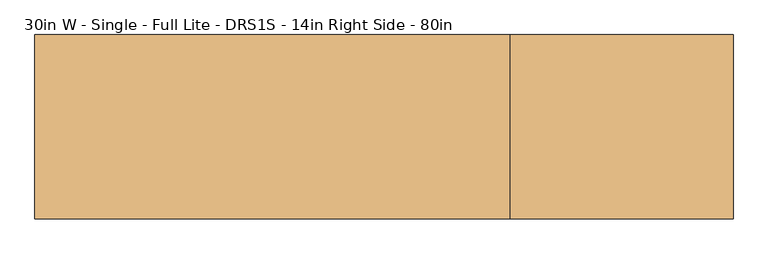
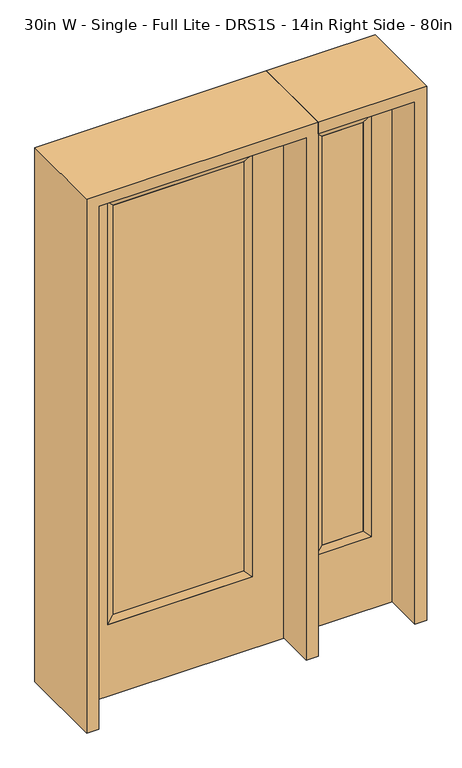
"""IFC4 building model written with IfcOpenShell, lengths in millimetres: door geometry, 30in W - Single - Full Lite - DRS1S - 14in Right Side - 80in."""

import ifcopenshell
import ifcopenshell.guid

model = None  # the IFC model being written
_history = None  # IfcOwnerHistory: only IFC2X3 demands one
_inside = {}  # id of a spatial element -> (the spatial element, [elements in it])
_under = {}  # id of a project, library or spatial element -> (it, [spatial elements below it])
_declared = {}  # id of a project -> (the project, [libraries it declares])
_typed = {}  # id of a type object -> (the type object, [elements of that type])
_made_of = {}  # id of a material, layer set ... -> (it, [elements and type objects made of it])


def new_model(schema):
    """Start an empty IFC model of exactly this schema.

    Asked for "IFC4X3", IfcOpenShell would pick the latest addendum, in which some entities
    have other attributes; the version numbers below select the first issue.
    IFC2X3 requires an IfcOwnerHistory on every rooted entity: one is made here for all.
    """
    global model, _history
    if schema == "IFC4X3":
        model = ifcopenshell.file(schema_version=(4, 3, 0, 0))
    else:
        model = ifcopenshell.file(schema=schema)
    _inside.clear()
    _under.clear()
    _declared.clear()
    _typed.clear()
    _made_of.clear()
    _history = None
    if model.schema == "IFC2X3":
        org = make("IfcOrganization", Name="unknown")
        user = make(
            "IfcPersonAndOrganization",
            ThePerson=make("IfcPerson", FamilyName="unknown"),
            TheOrganization=org,
        )
        app = make(
            "IfcApplication",
            ApplicationDeveloper=org,
            Version="unknown",
            ApplicationFullName="unknown",
            ApplicationIdentifier="unknown",
        )
        _history = make(
            "IfcOwnerHistory",
            OwningUser=user,
            OwningApplication=app,
            ChangeAction="ADDED",
            CreationDate=0,
        )
    return model


def make(cls, **values):
    """One entity of the class cls with the attributes given. An attribute that is None is left unset."""
    return model.create_entity(
        cls, **{name: value for name, value in values.items() if value is not None}
    )


def rooted(cls, **values):
    """An entity with a GlobalId (a new one), such as an element, a storey or a relation."""
    return make(cls, GlobalId=ifcopenshell.guid.new(), OwnerHistory=_history, **values)


def si_unit(unit_type, name, prefix=None):
    """IfcSIUnit, for example si_unit("LENGTHUNIT", "METRE", prefix="MILLI")."""
    return make("IfcSIUnit", UnitType=unit_type, Prefix=prefix, Name=name)


def assignment(units):
    """IfcUnitAssignment: the units of a project."""
    return None if units is None else make("IfcUnitAssignment", Units=units)


def point(xyz):
    """IfcCartesianPoint."""
    return None if xyz is None else make("IfcCartesianPoint", Coordinates=xyz)


def direction(xyz):
    """IfcDirection."""
    return None if xyz is None else make("IfcDirection", DirectionRatios=xyz)


def frame(location, z_axis=None, x_axis=None):
    """IfcAxis2Placement3D, a coordinate frame: its origin and axes. An axis left out is left unset."""
    return make(
        "IfcAxis2Placement3D",
        Location=point(location),
        Axis=direction(z_axis),
        RefDirection=direction(x_axis),
    )


def origin():
    """The frame at (0, 0, 0) with its axes left unset."""
    return frame((0.0, 0.0, 0.0))


def place(relative_to, where):
    """IfcLocalPlacement: puts the frame where relative to a parent placement (None: the world)."""
    return make(
        "IfcLocalPlacement", PlacementRelTo=relative_to, RelativePlacement=where
    )


def context(
    kind, dimensions, precision=None, world=None, true_north=None, identifier=None
):
    """IfcGeometricRepresentationContext, for example the 3D "Model" context."""
    return make(
        "IfcGeometricRepresentationContext",
        ContextIdentifier=identifier,
        ContextType=kind,
        CoordinateSpaceDimension=dimensions,
        Precision=precision,
        WorldCoordinateSystem=world,
        TrueNorth=true_north,
    )


def project(units=None, contexts=None):
    """IfcProject with its units and contexts."""
    return rooted(
        "IfcProject",
        Name="project",
        RepresentationContexts=contexts,
        UnitsInContext=assignment(units),
    )


def spatial(cls, under=None, at=None, **own):
    """A site, building, storey or space (cls), placed at a placement, below another one or the project."""
    s = rooted(cls, ObjectPlacement=at, **own)
    if under is not None:
        _under.setdefault(under.id(), (under, []))[1].append(s)
    return s


def polyline(points):
    """IfcPolyline through the points."""
    return make("IfcPolyline", Points=[point(p) for p in points])


def outline(outer, holes=None, kind="AREA"):
    """IfcArbitraryClosedProfileDef: a profile drawn as a closed curve; with holes, ...WithVoids."""
    if holes is None:
        return make("IfcArbitraryClosedProfileDef", ProfileType=kind, OuterCurve=outer)
    return make(
        "IfcArbitraryProfileDefWithVoids",
        ProfileType=kind,
        OuterCurve=outer,
        InnerCurves=holes,
    )


def extrude(swept, where, along, depth):
    """IfcExtrudedAreaSolid: the profile swept, set in the frame where, extruded along a direction by depth."""
    return make(
        "IfcExtrudedAreaSolid",
        SweptArea=swept,
        Position=where,
        ExtrudedDirection=direction(along),
        Depth=depth,
    )


def faces_of(points, faces, orient=None, outer=None):
    """IfcFace entities. A face is a list of loops; a loop is a list of indices into points, from 0.

    orient and outer hold one flag for each loop. By default every Orientation is true, the
    first loop of a face is its IfcFaceOuterBound and the others are IfcFaceBound.
    """
    made = []
    for i, loops in enumerate(faces):
        bounds = []
        for j, loop in enumerate(loops):
            is_outer = j == 0 if outer is None else outer[i][j]
            bounds.append(
                make(
                    "IfcFaceOuterBound" if is_outer else "IfcFaceBound",
                    Bound=make("IfcPolyLoop", Polygon=[points[k] for k in loop]),
                    Orientation=True if orient is None else orient[i][j],
                )
            )
        made.append(make("IfcFace", Bounds=bounds))
    return made


def faceted_brep(points, faces, orient=None, outer=None, voids=None):
    """IfcFacetedBrep: a solid bounded by flat faces; with voids (closed shells), ...WithVoids."""
    shared = [point(p) for p in points]
    hull = make("IfcClosedShell", CfsFaces=faces_of(shared, faces, orient, outer))
    if voids is None:
        return make("IfcFacetedBrep", Outer=hull)
    return make(
        "IfcFacetedBrepWithVoids",
        Outer=hull,
        Voids=[
            make(cls, CfsFaces=faces_of(shared, fs, o, b)) for cls, fs, o, b in voids
        ],
    )


def shape(context_of_items, identifier, shape_type, items):
    """IfcShapeRepresentation: the items that make up one representation, for example the "Body"."""
    return make(
        "IfcShapeRepresentation",
        ContextOfItems=context_of_items,
        RepresentationIdentifier=identifier,
        RepresentationType=shape_type,
        Items=items,
    )


def source(mapping_origin, context_of_items, identifier, shape_type, items):
    """IfcRepresentationMap: a shape defined once, which mapped items show again and again."""
    return make(
        "IfcRepresentationMap",
        MappingOrigin=mapping_origin,
        MappedRepresentation=shape(context_of_items, identifier, shape_type, items),
    )


def transform(
    local_origin,
    x_axis=None,
    y_axis=None,
    z_axis=None,
    scale=None,
    scale2=None,
    scale3=None,
    uniform=True,
):
    """IfcCartesianTransformationOperator3D, or its non-uniform kind. x_axis, y_axis, z_axis: its Axis1, 2, 3."""
    if uniform:
        return make(
            "IfcCartesianTransformationOperator3D",
            Axis1=direction(x_axis),
            Axis2=direction(y_axis),
            LocalOrigin=point(local_origin),
            Scale=scale,
            Axis3=direction(z_axis),
        )
    return make(
        "IfcCartesianTransformationOperator3DnonUniform",
        Axis1=direction(x_axis),
        Axis2=direction(y_axis),
        LocalOrigin=point(local_origin),
        Scale=scale,
        Axis3=direction(z_axis),
        Scale2=scale2,
        Scale3=scale3,
    )


def mapped(mapping_source, mapping_target):
    """IfcMappedItem: shows the shape of a source again, moved by a transform."""
    return make(
        "IfcMappedItem", MappingSource=mapping_source, MappingTarget=mapping_target
    )


def made_of(thing, what):
    """Note that an element or type object is made of a material, layer set ...; save() writes the relation."""
    if what is not None:
        _made_of.setdefault(what.id(), (what, []))[1].append(thing)
    return thing


def element(
    cls,
    number,
    at=None,
    inside=None,
    cuts=None,
    type_object=None,
    material=None,
    context=None,
    identifier="Body",
    shape_type=None,
    held_by="IfcProductDefinitionShape",
    body=None,
    shapes=None,
    **own,
):
    """One element of the class cls, such as IfcWall. Its Tag is "e" and its number.

    at: its placement. inside: the storey or other place that contains it. cuts: it is an
    opening in that element (IfcRelVoidsElement). A single representation is given by context,
    identifier, shape_type and body (its items); several are given by shapes. held_by: the class
    of the entity that holds the representations. save() writes the other relations.
    """
    e = rooted(cls, Tag="e%d" % number, ObjectPlacement=at, **own)
    if body is not None:
        shapes = [shape(context, identifier, shape_type, body)]
    if shapes is not None:
        e.Representation = make(held_by, Representations=shapes)
    if inside is not None:
        _inside.setdefault(inside.id(), (inside, []))[1].append(e)
    if cuts is not None:
        rooted(
            "IfcRelVoidsElement", RelatingBuildingElement=cuts, RelatedOpeningElement=e
        )
    if type_object is not None:
        _typed.setdefault(type_object.id(), (type_object, []))[1].append(e)
    return made_of(e, material)


def aggregate(whole, parts):
    """IfcRelAggregates: a whole, such as a stair, and the parts it consists of."""
    return rooted("IfcRelAggregates", RelatingObject=whole, RelatedObjects=parts)


def save(model, path):
    """Write the relations noted so far, then the file.

    IfcRelAggregates (storeys below a building ...), IfcRelContainedInSpatialStructure (elements
    in a storey), IfcRelDefinesByType, IfcRelAssociatesMaterial and IfcRelDeclares: one each for
    every whole, place, type object, material and project.
    """
    for whole, parts in _under.values():
        aggregate(whole, parts)
    for where, things in _inside.values():
        rooted(
            "IfcRelContainedInSpatialStructure",
            RelatedElements=things,
            RelatingStructure=where,
        )
    for kind, things in _typed.values():
        rooted("IfcRelDefinesByType", RelatedObjects=things, RelatingType=kind)
    for what, things in _made_of.values():
        rooted("IfcRelAssociatesMaterial", RelatedObjects=things, RelatingMaterial=what)
    for by, libraries in _declared.values():
        rooted("IfcRelDeclares", RelatingContext=by, RelatedDefinitions=libraries)
    model.write(path)


def door_30in_w_single_full_lite_drs1s_14in_right_side_80in_867e8ea5(model_context):
    return source(origin(), model_context, "Body", "SolidModel", [
        extrude(outline(polyline([(240.1824, -12.7039749), (-240.1824, -12.7039749), (-240.1824, 14.2875), (240.1824, 14.2875), (240.1824, -12.7039749)])), frame((0.0, 0.0, 304.8), z_axis=(0.0, 0.0, 1.0), x_axis=(1.0, 0.0, 0.0)), (0.0, 0.0, 1.0), 1591.1576),
        faceted_brep([(240.1824, 14.2875, 1895.9576), (265.5824, 22.225, 1921.3576), (265.5824, 22.225, 279.4), (240.1824, 14.2875, 304.8), (265.5824, -22.225, 1921.3576), (265.5824, -22.225, 279.4), (-265.5824, 22.225, 279.4), (-240.1824, 14.2875, 304.8), (240.1824, -12.7039749, 1895.9576), (240.1824, -12.7039749, 304.8), (-240.1824, -12.7039749, 304.8), (-265.5824, -22.225, 279.4), (-265.5824, 22.225, 1921.3576), (-240.1824, 14.2875, 1895.9576), (-240.1824, -12.7039749, 1895.9576), (-265.5824, -22.225, 1921.3576)], [[[0, 1, 2, 3]], [[1, 4, 5, 2]], [[3, 2, 6, 7]], [[8, 0, 3, 9]], [[9, 3, 7, 10]], [[4, 8, 9, 5]], [[5, 9, 10, 11]], [[2, 5, 11, 6]], [[7, 6, 12, 13]], [[10, 7, 13, 14]], [[11, 10, 14, 15]], [[6, 11, 15, 12]], [[13, 12, 1, 0]], [[14, 13, 0, 8]], [[15, 14, 8, 4]], [[12, 15, 4, 1]]]),
        extrude(outline(polyline([(0.0, -381.0), (0.0, 381.0), (2032.0, 381.0), (2032.0, -381.0), (0.0, -381.0)]), holes=[polyline([(279.4, -265.5824), (1921.3576, -265.5824), (1921.3576, 265.5824), (279.4, 265.5824), (279.4, -265.5824)])]), frame((0.0, -22.225, 0.0), z_axis=(0.0, 1.0, 0.0), x_axis=(0.0, 0.0, 1.0)), (0.0, 0.0, 1.0), 44.45),
        faceted_brep([(501.65, 20.6375, 1920.875), (501.65, 20.6375, 279.4), (501.65, -20.6375, 279.4), (501.65, -20.6375, 1920.875), (527.05, -12.7, 304.8), (527.05, -12.7, 1895.475), (704.85, 20.6375, 279.4), (704.85, -20.6375, 279.4), (527.05, 12.7, 1895.475), (527.05, 12.7, 304.8), (679.45, 12.7, 304.8), (679.45, -12.7, 304.8), (704.85, 20.6375, 1920.875), (704.85, -20.6375, 1920.875), (679.45, 12.7, 1895.475), (679.45, -12.7, 1895.475)], [[[0, 1, 2, 3]], [[3, 2, 4, 5]], [[1, 6, 7, 2]], [[8, 9, 1, 0]], [[9, 10, 6, 1]], [[5, 4, 9, 8]], [[4, 11, 10, 9]], [[2, 7, 11, 4]], [[6, 12, 13, 7]], [[10, 14, 12, 6]], [[11, 15, 14, 10]], [[7, 13, 15, 11]], [[12, 0, 3, 13]], [[14, 8, 0, 12]], [[15, 5, 8, 14]], [[13, 3, 5, 15]]]),
        extrude(outline(polyline([(0.0, 781.05), (2032.0, 781.05), (2032.0, 425.45), (0.0, 425.45), (0.0, 781.05)]), holes=[polyline([(1920.875, 501.65), (1920.875, 704.85), (279.4, 704.85), (279.4, 501.65), (1920.875, 501.65)])]), frame((0.0, -20.6375, 0.0), z_axis=(0.0, 1.0, 0.0), x_axis=(0.0, 0.0, 1.0)), (0.0, 0.0, 1.0), 41.275),
        extrude(outline(polyline([(527.05, -12.7), (527.05, 12.7), (679.45, 12.7), (679.45, -12.7), (527.05, -12.7)])), frame((0.0, 0.0, 304.8), z_axis=(0.0, 0.0, 1.0), x_axis=(1.0, 0.0, 0.0)), (0.0, 0.0, 1.0), 1590.675),
        extrude(outline(polyline([(2076.45, -425.45), (0.0, -425.45), (0.0, -381.0), (2032.0, -381.0), (2032.0, 381.0), (0.0, 381.0), (0.0, 425.45), (2076.45, 425.45), (2076.45, -425.45)])), frame((0.0, -165.1, 0.0), z_axis=(0.0, 1.0, 0.0), x_axis=(0.0, 0.0, 1.0)), (0.0, 0.0, 1.0), 330.2),
        extrude(outline(polyline([(0.0, 781.05), (0.0, 825.5), (2076.45, 825.5), (2076.45, 425.45), (2032.0, 425.45), (2032.0, 781.05), (0.0, 781.05)])), frame((0.0, -165.1, 0.0), z_axis=(0.0, 1.0, 0.0), x_axis=(0.0, 0.0, 1.0)), (0.0, 0.0, 1.0), 330.2),
    ])


if __name__ == "__main__":
    model = new_model("IFC4")
    model_context = context("Model", 3, world=origin())
    ifc_project = project(units=[si_unit("LENGTHUNIT", "METRE", prefix="MILLI")], contexts=[model_context])
    site = spatial("IfcSite", under=ifc_project)
    building = spatial("IfcBuilding", under=site)
    placement = place(None, origin())
    door_30in_w_single_full_lite_drs1s_14in_right_side_80in_shape = door_30in_w_single_full_lite_drs1s_14in_right_side_80in_867e8ea5(model_context)
    element("IfcDoor", 1, ObjectType="30in W - Single - Full Lite - DRS1S - 14in Right Side - 80in", at=placement, inside=building, context=model_context, shape_type="MappedRepresentation", body=[
        mapped(door_30in_w_single_full_lite_drs1s_14in_right_side_80in_shape, transform((0.0, 0.0, 0.0), x_axis=(1.0, 0.0, 0.0), y_axis=(0.0, 1.0, 0.0), z_axis=(0.0, 0.0, 1.0))),
    ])
    save(model, "model.ifc")
